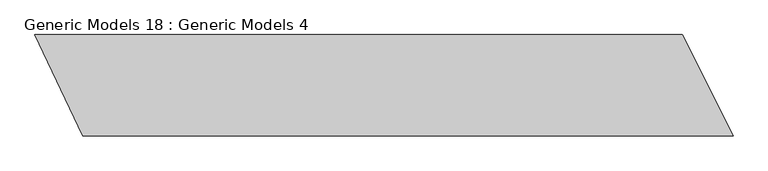
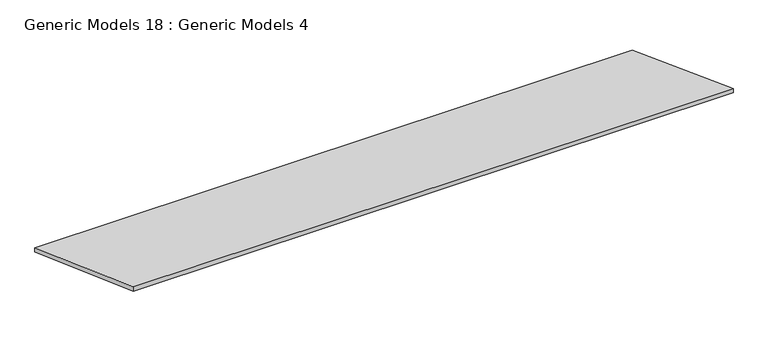
"""IFC4 building model written with IfcOpenShell, lengths in millimetres: proxy geometry, Generic Models 18 : Generic Models 4."""

from ifc_helpers import new_model, si_unit, origin, origin_with_axes, place, context, project, spatial, polyline, outline, extrude, source, transform, mapped, element, save


def generic_models_18_generic_models_4_a6bfb5a9(model_context):
    return source(origin(), model_context, "Body", "SweptSolid", [
        extrude(outline(polyline([(10519.2368599, -9730.8173324), (-18766.3337943, -9730.8173324), (-20924.833284, -5156.9639151), (8232.3101512, -5156.9639151), (10519.2368599, -9730.8173324)])), origin_with_axes(), (0.0, 0.0, 1.0), 220.0),
    ])


if __name__ == "__main__":
    model = new_model("IFC4")
    model_context = context("Model", 3, world=origin())
    ifc_project = project(units=[si_unit("LENGTHUNIT", "METRE", prefix="MILLI")], contexts=[model_context])
    site = spatial("IfcSite", under=ifc_project)
    building = spatial("IfcBuilding", under=site)
    placement = place(None, origin())
    generic_models_18_generic_models_4_shape = generic_models_18_generic_models_4_a6bfb5a9(model_context)
    element("IfcBuildingElementProxy", 1, Name="Generic Models 18 : Generic Models 4", ObjectType="Generic Models 18 : Generic Models 4", at=placement, inside=building, context=model_context, shape_type="MappedRepresentation", body=[
        mapped(generic_models_18_generic_models_4_shape, transform((0.0, 0.0, 0.0), x_axis=(1.0, 0.0, 0.0), y_axis=(0.0, 1.0, 0.0), z_axis=(0.0, 0.0, 1.0))),
    ])
    save(model, "model.ifc")
